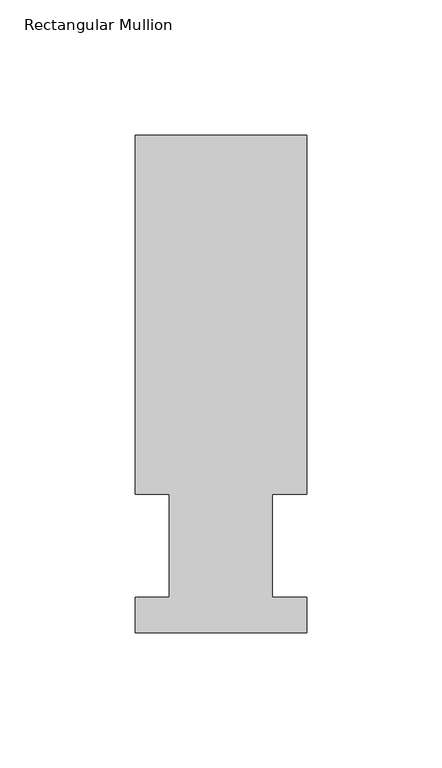
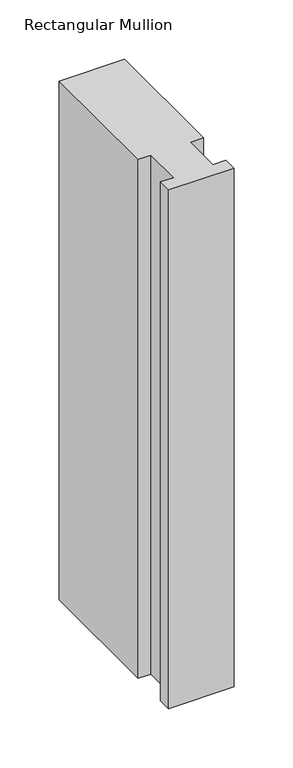
"""IFC4 building model written with IfcOpenShell, lengths in millimetres: member geometry, Rectangular Mullion."""

from ifc_helpers import new_model, si_unit, frame, origin, place, context, project, spatial, polyline, outline, extrude, source, transform, mapped, element, save


def rectangular_mullion_e52b2c8e(model_context):
    return source(origin(), model_context, "Body", "SweptSolid", [
        extrude(outline(polyline([(0.0, 184.2396937), (0.0, 51.2960938), (-12.6873001, 51.2960938), (-12.6873001, 13.1960938), (0.0, 13.1960938), (0.0, 0.0134938), (-63.5000001, 0.0134938), (-63.5000001, 13.1960938), (-50.8127001, 13.1960938), (-50.8127001, 51.2960938), (-63.5127, 51.2960938), (-63.5127, 184.2396938), (0.0, 184.2396937)])), frame((0.0, 0.0, -533.4), z_axis=(0.0, 0.0, 1.0), x_axis=(1.0, 0.0, 0.0)), (0.0, 0.0, 1.0), 533.4),
    ])


if __name__ == "__main__":
    model = new_model("IFC4")
    model_context = context("Model", 3, world=origin())
    ifc_project = project(units=[si_unit("LENGTHUNIT", "METRE", prefix="MILLI")], contexts=[model_context])
    site = spatial("IfcSite", under=ifc_project)
    building = spatial("IfcBuilding", under=site)
    placement = place(None, origin())
    rectangular_mullion_shape = rectangular_mullion_e52b2c8e(model_context)
    element("IfcMember", 1, ObjectType="Rectangular Mullion", at=placement, inside=building, context=model_context, shape_type="MappedRepresentation", body=[
        mapped(rectangular_mullion_shape, transform((0.0, 0.0, 0.0), x_axis=(1.0, 0.0, 0.0), y_axis=(0.0, 1.0, 0.0), z_axis=(0.0, 0.0, 1.0))),
    ])
    save(model, "model.ifc")
